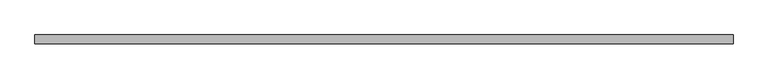
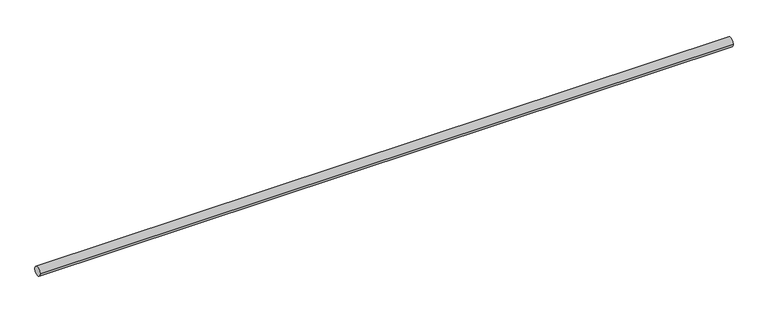
"""IFC4 building model written with IfcOpenShell, lengths in millimetres: proxy geometry."""

from ifc_helpers import new_model, si_unit, point, frame, frame_2d, origin, place, context, project, spatial, circle_curve, trimmed, segment, composite_curve, outline, extrude, source, transform, mapped, element, save


def generic_models_7a50a161(model_context):
    return source(origin(), model_context, "Body", "SweptSolid", [
        extrude(outline(composite_curve([segment(trimmed(circle_curve(frame_2d((-5277.3114392, 3909.32)), 17.45), [point((-5294.7614392, 3909.32))], [point((-5259.8614392, 3909.32))], False, "CARTESIAN"), True, "CONTINUOUS"), segment(trimmed(circle_curve(frame_2d((-5277.3114392, 3909.32)), 17.45), [point((-5259.8614392, 3909.32))], [point((-5294.7614392, 3909.32))], False, "CARTESIAN"), True, "CONTINUOUS")], self_intersect=False)), frame((-19776.5776651, 0.0, 0.0), z_axis=(1.0, 0.0, 0.0), x_axis=(0.0, 1.0, 0.0)), (0.0, 0.0, 1.0), 2700.0),
    ])


if __name__ == "__main__":
    model = new_model("IFC4")
    model_context = context("Model", 3, world=origin())
    ifc_project = project(units=[si_unit("LENGTHUNIT", "METRE", prefix="MILLI")], contexts=[model_context])
    site = spatial("IfcSite", under=ifc_project)
    building = spatial("IfcBuilding", under=site)
    placement = place(None, origin())
    generic_models_shape = generic_models_7a50a161(model_context)
    element("IfcBuildingElementProxy", 1, Name="Generic Models", at=placement, inside=building, context=model_context, shape_type="MappedRepresentation", body=[
        mapped(generic_models_shape, transform((0.0, 0.0, 0.0), x_axis=(1.0, 0.0, 0.0), y_axis=(0.0, 1.0, 0.0), z_axis=(0.0, 0.0, 1.0))),
    ])
    save(model, "model.ifc")
